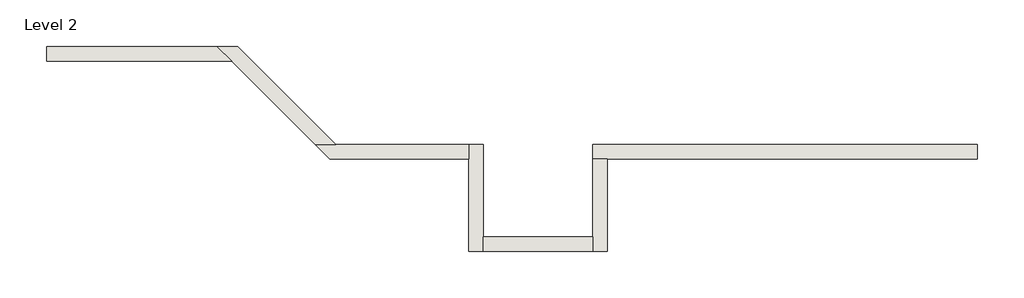
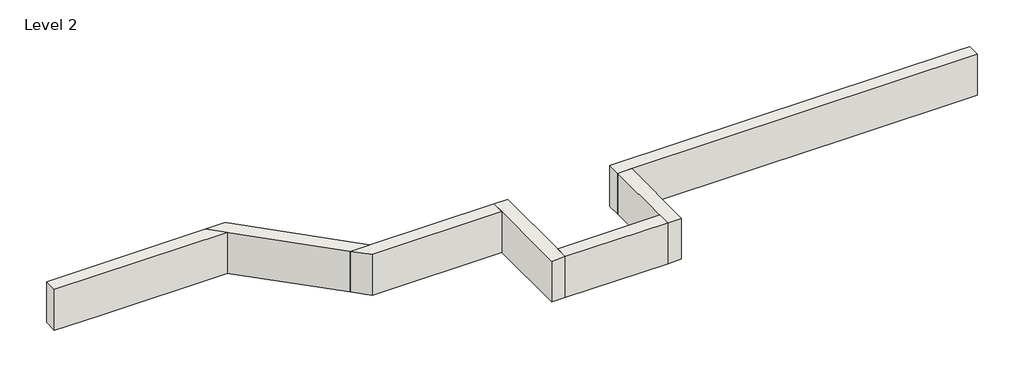
# One storey: 7 walls.
"""IFC4 building model written with IfcOpenShell, lengths in millimetres."""

from ifc_helpers import new_model, si_unit, frame, origin, place, context, project, spatial, polyline, outline, extrude, faceted_brep, element, save

model = new_model("IFC4")

# Units and contexts
model_context = context("Model", 3, world=origin())
ifc_project = project(units=[si_unit("LENGTHUNIT", "METRE", prefix="MILLI")], contexts=[model_context])

# Site, building, storey
site = spatial("IfcSite", under=ifc_project)
building = spatial("IfcBuilding", under=site)
storey = spatial("IfcBuildingStorey", under=building, Name="Level 2", Elevation=3048.0)

# Walls
placement = place(None, origin())
element("IfcWall", 1, ObjectType="Generic - 8\" Brick", at=placement, inside=storey, context=model_context, shape_type="Brep", body=[
    faceted_brep([(6705.5865062, 1412.8726187, 3048.0), (6511.9115062, 1412.8726187, 3048.0), (4876.8, 1412.8726187, 3048.0), (3657.6, 1412.8726187, 3048.0), (1635.1273813, 1412.8726187, 3048.0), (1635.1273813, 1412.8726187, 3657.6), (6511.9115062, 1412.8726187, 3657.6), (6705.5865062, 1412.8726187, 3657.6), (6705.5865062, 1219.1976187, 3048.0), (6705.5865062, 1219.1976187, 3657.6), (1828.8023813, 1219.1976187, 3657.6), (1635.1273813, 1219.1976187, 3657.6), (1635.1273813, 1219.1976187, 3048.0), (1828.8023813, 1219.1976187, 3048.0), (3657.6, 1219.1976187, 3048.0), (4876.8, 1219.1976187, 3048.0)], [[[0, 1, 2, 3, 4, 5, 6, 7]], [[8, 9, 10, 11, 12, 13, 14, 15]], [[4, 3, 2, 1, 0, 8, 15, 14, 13, 12]], [[7, 6, 5, 11, 10, 9]], [[5, 4, 12, 11]], [[0, 7, 9, 8]]]),
])
element("IfcWall", 2, ObjectType="Generic - 8\" Brick", at=placement, inside=storey, context=model_context, shape_type="Brep", body=[
    faceted_brep([(1635.1273813, 1219.1976187, 3048.0), (1635.1273813, 193.675, 3048.0), (1635.1273813, 0.0, 3048.0), (1635.1273813, 0.0, 3657.6), (1635.1273813, 193.675, 3657.6), (1635.1273813, 1219.1976187, 3657.6), (1828.8023813, 1219.1976187, 3048.0), (1828.8023813, 1219.1976187, 3657.6), (1828.8023813, 0.0, 3657.6), (1828.8023813, 0.0, 3048.0)], [[[0, 1, 2, 3, 4, 5]], [[6, 7, 8, 9]], [[2, 1, 0, 6, 9]], [[5, 4, 3, 8, 7]], [[0, 5, 7, 6]], [[3, 2, 9, 8]]]),
])
element("IfcWall", 3, ObjectType="Generic - 8\" Brick", at=placement, inside=storey, context=model_context, shape_type="SweptSolid", body=[
    extrude(outline(polyline([(193.675, 193.675), (1635.1273813, 193.675), (1635.1273813, 0.0), (193.675, 0.0), (193.675, 193.675)])), frame((0.0, 0.0, 3048.0), z_axis=(0.0, 0.0, 1.0), x_axis=(1.0, 0.0, 0.0)), (0.0, 0.0, 1.0), 609.6),
])
element("IfcWall", 4, ObjectType="Generic - 8\" Brick", at=placement, inside=storey, context=model_context, shape_type="Brep", body=[
    faceted_brep([(193.675, 0.0, 3048.0), (193.675, 193.675, 3048.0), (193.675, 1412.8726187, 3048.0), (193.675, 1412.8726187, 3657.6), (193.675, 193.675, 3657.6), (193.675, 0.0, 3657.6), (0.0, 0.0, 3048.0), (0.0, 0.0, 3657.6), (0.0, 1219.1976187, 3657.6), (0.0, 1412.8726187, 3657.6), (0.0, 1412.8726187, 3048.0), (0.0, 1219.1976187, 3048.0)], [[[0, 1, 2, 3, 4, 5]], [[6, 7, 8, 9, 10, 11]], [[2, 1, 0, 6, 11, 10]], [[5, 4, 3, 9, 8, 7]], [[0, 5, 7, 6]], [[3, 2, 10, 9]]]),
])
element("IfcWall", 5, ObjectType="Generic - 8\" Brick", at=placement, inside=storey, context=model_context, shape_type="Brep", body=[
    faceted_brep([(0.0, 1412.8726187, 3048.0), (-1748.5781747, 1412.8726187, 3048.0), (-2022.4759863, 1412.8726187, 3048.0), (-2022.4759863, 1412.8726187, 3657.6), (-1748.5781747, 1412.8726187, 3657.6), (0.0, 1412.8726187, 3657.6), (0.0, 1219.1976187, 3048.0), (0.0, 1219.1976187, 3657.6), (-1828.8009863, 1219.1976187, 3657.6), (-1828.8009863, 1219.1976187, 3048.0)], [[[0, 1, 2, 3, 4, 5]], [[6, 7, 8, 9]], [[2, 1, 0, 6, 9]], [[5, 4, 3, 8, 7]], [[0, 5, 7, 6]], [[3, 2, 9, 8]]]),
])
element("IfcWall", 6, ObjectType="Generic - 8\" Brick", at=placement, inside=storey, context=model_context, shape_type="Brep", body=[
    faceted_brep([(-1748.5781747, 1412.8726187, 3048.0), (-3041.7509311, 2706.0453752, 3048.0), (-3041.7509311, 2706.0453752, 3657.6), (-1748.5781747, 1412.8726187, 3657.6), (-2022.4759863, 1412.8726187, 3048.0), (-2022.4759863, 1412.8726187, 3657.6), (-3121.9737428, 2512.3703752, 3657.6), (-3315.6487428, 2706.0453752, 3657.6), (-3315.6487428, 2706.0453752, 3048.0), (-3121.9737428, 2512.3703752, 3048.0)], [[[0, 1, 2, 3]], [[4, 5, 6, 7, 8, 9]], [[1, 0, 4, 9, 8]], [[3, 2, 7, 6, 5]], [[0, 3, 5, 4]], [[2, 1, 8, 7]]]),
])
element("IfcWall", 7, ObjectType="Generic - 8\" Brick", at=placement, inside=storey, context=model_context, shape_type="Brep", body=[
    faceted_brep([(-5560.3568814, 2512.3703752, 3048.0), (-4950.7568814, 2512.3703752, 3048.0), (-3121.9737428, 2512.3703752, 3048.0), (-3121.9737428, 2512.3703752, 3657.6), (-5560.3568814, 2512.3703752, 3657.6), (-5560.3568814, 2706.0453752, 3048.0), (-5560.3568814, 2706.0453752, 3657.6), (-3315.6487428, 2706.0453752, 3657.6), (-3315.6487428, 2706.0453752, 3048.0), (-4950.7568814, 2706.0453752, 3048.0)], [[[0, 1, 2, 3, 4]], [[5, 6, 7, 8, 9]], [[2, 1, 0, 5, 9, 8]], [[4, 3, 7, 6]], [[0, 4, 6, 5]], [[3, 2, 8, 7]]]),
])

save(model, "model.ifc")
